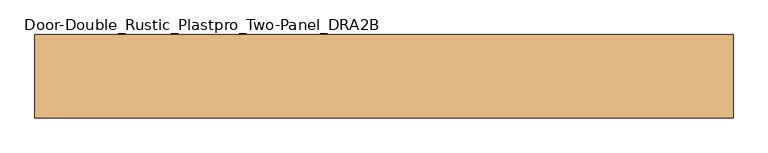
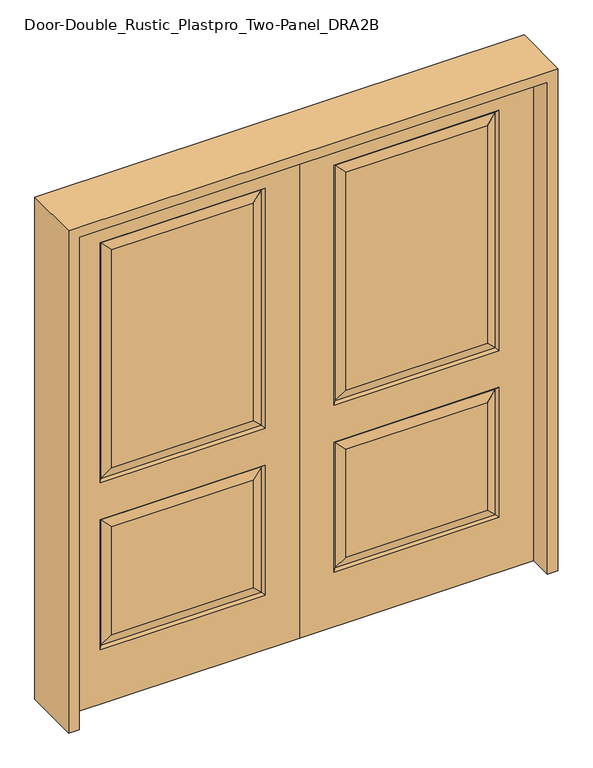
"""IFC4 building model written with IfcOpenShell, lengths in millimetres: door geometry, Door-Double_Rustic_Plastpro_Two-Panel_DRA2B."""

from ifc_helpers import new_model, si_unit, frame, origin, place, context, project, spatial, polyline, outline, extrude, faceted_brep, source, transform, mapped, element, save


def door_double_rustic_plastpro_two_panel_dra2b_38a03fc7(model_context):
    return source(origin(), model_context, "Body", "SolidModel", [
        faceted_brep([(-914.4, 20.6375, 0.0), (0.0, 20.6375, 0.0), (0.0, -20.6375, 0.0), (-914.4, -20.6375, 0.0), (-914.4, 20.6375, 2032.0), (-914.4, -20.6375, 2032.0), (0.0, -20.6375, 2032.0), (-779.4625, -20.6375, 914.4), (-779.4625, -20.6375, 1905.0), (-134.9375, -20.6375, 1905.0), (-134.9375, -20.6375, 914.4), (-779.4625, -20.6375, 225.425), (-779.4625, -20.6375, 762.0), (-134.9375, -20.6375, 762.0), (-134.9375, -20.6375, 225.425), (-180.975, -20.6375, 960.4375), (-180.975, -20.6375, 1858.9625), (-733.425, -20.6375, 1858.9625), (-733.425, -20.6375, 960.4375), (-180.975, -20.6375, 271.4625), (-180.975, -20.6375, 715.9625), (-733.425, -20.6375, 715.9625), (-733.425, -20.6375, 271.4625), (0.0, 20.6375, 2032.0), (-779.4625, 20.6375, 762.0), (-779.4625, 20.6375, 225.425), (-134.9375, 20.6375, 225.425), (-134.9375, 20.6375, 762.0), (-779.4625, 20.6375, 1905.0), (-779.4625, 20.6375, 914.4), (-134.9375, 20.6375, 914.4), (-134.9375, 20.6375, 1905.0), (-180.975, 20.6375, 715.9625), (-180.975, 20.6375, 271.4625), (-733.425, 20.6375, 271.4625), (-733.425, 20.6375, 715.9625), (-180.975, 20.6375, 1858.9625), (-180.975, 20.6375, 960.4375), (-733.425, 20.6375, 960.4375), (-733.425, 20.6375, 1858.9625), (-143.9177561, 11.6572439, 923.3802561), (-143.9177561, 11.6572439, 1896.0197439), (-770.4822439, 11.6572439, 923.3802561), (-770.4822439, 11.6572439, 1896.0197439), (-770.4822439, 11.6572439, 753.0197439), (-143.9177561, 11.6572439, 753.0197439), (-143.9177561, 11.6572439, 234.4052561), (-770.4822439, 11.6572439, 234.4052561), (-770.4822439, -11.6572439, 923.3802561), (-143.9177561, -11.6572439, 923.3802561), (-143.9177561, -11.6572439, 1896.0197439), (-770.4822439, -11.6572439, 1896.0197439), (-770.4822439, -11.6572439, 234.4052561), (-143.9177561, -11.6572439, 234.4052561), (-143.9177561, -11.6572439, 753.0197439), (-770.4822439, -11.6572439, 753.0197439)], [[[0, 1, 2, 3]], [[4, 0, 3, 5]], [[5, 3, 2, 6], [7, 8, 9, 10], [11, 12, 13, 14]], [[15, 16, 17, 18]], [[19, 20, 21, 22]], [[6, 2, 1, 23]], [[23, 1, 0, 4], [24, 25, 26, 27], [28, 29, 30, 31]], [[32, 33, 34, 35]], [[36, 37, 38, 39]], [[31, 30, 40, 41]], [[30, 29, 42, 40]], [[43, 42, 29, 28]], [[39, 38, 42, 43]], [[40, 42, 38, 37]], [[41, 40, 37, 36]], [[44, 24, 27, 45]], [[27, 26, 46, 45]], [[26, 25, 47, 46]], [[44, 47, 25, 24]], [[45, 32, 35, 44]], [[35, 34, 47, 44]], [[46, 47, 34, 33]], [[45, 46, 33, 32]], [[48, 7, 10, 49]], [[10, 9, 50, 49]], [[48, 51, 8, 7]], [[49, 15, 18, 48]], [[18, 17, 51, 48]], [[49, 50, 16, 15]], [[52, 11, 14, 53]], [[14, 13, 54, 53]], [[13, 12, 55, 54]], [[52, 55, 12, 11]], [[53, 19, 22, 52]], [[22, 21, 55, 52]], [[54, 55, 21, 20]], [[53, 54, 20, 19]], [[4, 5, 6, 23]], [[9, 8, 51, 50]], [[50, 51, 17, 16]], [[43, 28, 31, 41]], [[41, 36, 39, 43]]]),
        faceted_brep([(914.4, 20.6375, 0.0), (914.4, -20.6375, 0.0), (0.0, -20.6375, 0.0), (0.0, 20.6375, 0.0), (914.4, 20.6375, 2032.0), (914.4, -20.6375, 2032.0), (180.975, -20.6375, 960.4375), (733.425, -20.6375, 960.4375), (733.425, -20.6375, 1858.9625), (180.975, -20.6375, 1858.9625), (180.975, -20.6375, 271.4625), (733.425, -20.6375, 271.4625), (733.425, -20.6375, 715.9625), (180.975, -20.6375, 715.9625), (0.0, -20.6375, 2032.0), (779.4625, -20.6375, 914.4), (134.9375, -20.6375, 914.4), (134.9375, -20.6375, 1905.0), (779.4625, -20.6375, 1905.0), (779.4625, -20.6375, 225.425), (134.9375, -20.6375, 225.425), (134.9375, -20.6375, 762.0), (779.4625, -20.6375, 762.0), (0.0, 20.6375, 2032.0), (180.975, 20.6375, 715.9625), (733.425, 20.6375, 715.9625), (733.425, 20.6375, 271.4625), (180.975, 20.6375, 271.4625), (180.975, 20.6375, 1858.9625), (733.425, 20.6375, 1858.9625), (733.425, 20.6375, 960.4375), (180.975, 20.6375, 960.4375), (779.4625, 20.6375, 762.0), (134.9375, 20.6375, 762.0), (134.9375, 20.6375, 225.425), (779.4625, 20.6375, 225.425), (779.4625, 20.6375, 1905.0), (134.9375, 20.6375, 1905.0), (134.9375, 20.6375, 914.4), (779.4625, 20.6375, 914.4), (143.9177561, 11.6572439, 1896.0197439), (143.9177561, 11.6572439, 923.3802561), (770.4822439, 11.6572439, 923.3802561), (770.4822439, 11.6572439, 1896.0197439), (770.4822439, 11.6572439, 753.0197439), (143.9177561, 11.6572439, 753.0197439), (143.9177561, 11.6572439, 234.4052561), (770.4822439, 11.6572439, 234.4052561), (770.4822439, -11.6572439, 923.3802561), (143.9177561, -11.6572439, 923.3802561), (143.9177561, -11.6572439, 1896.0197439), (770.4822439, -11.6572439, 1896.0197439), (770.4822439, -11.6572439, 234.4052561), (143.9177561, -11.6572439, 234.4052561), (143.9177561, -11.6572439, 753.0197439), (770.4822439, -11.6572439, 753.0197439)], [[[0, 1, 2, 3]], [[4, 5, 1, 0]], [[6, 7, 8, 9]], [[10, 11, 12, 13]], [[5, 14, 2, 1], [15, 16, 17, 18], [19, 20, 21, 22]], [[14, 23, 3, 2]], [[24, 25, 26, 27]], [[28, 29, 30, 31]], [[23, 4, 0, 3], [32, 33, 34, 35], [36, 37, 38, 39]], [[37, 40, 41, 38]], [[38, 41, 42, 39]], [[43, 36, 39, 42]], [[29, 43, 42, 30]], [[41, 31, 30, 42]], [[40, 28, 31, 41]], [[44, 45, 33, 32]], [[33, 45, 46, 34]], [[34, 46, 47, 35]], [[44, 32, 35, 47]], [[45, 44, 25, 24]], [[25, 44, 47, 26]], [[46, 27, 26, 47]], [[45, 24, 27, 46]], [[48, 49, 16, 15]], [[16, 49, 50, 17]], [[48, 15, 18, 51]], [[49, 48, 7, 6]], [[7, 48, 51, 8]], [[49, 6, 9, 50]], [[52, 53, 20, 19]], [[20, 53, 54, 21]], [[21, 54, 55, 22]], [[52, 19, 22, 55]], [[53, 52, 11, 10]], [[11, 52, 55, 12]], [[54, 13, 12, 55]], [[53, 10, 13, 54]], [[4, 23, 14, 5]], [[17, 50, 51, 18]], [[50, 9, 8, 51]], [[43, 40, 37, 36]], [[40, 43, 29, 28]]]),
        extrude(outline(polyline([(2073.275, -955.675), (0.0, -955.675), (0.0, -914.4), (2032.0, -914.4), (2032.0, 914.4), (0.0, 914.4), (0.0, 955.675), (2073.275, 955.675), (2073.275, -955.675)])), frame((0.0, -114.3, 0.0), z_axis=(0.0, 1.0, 0.0), x_axis=(0.0, 0.0, 1.0)), (0.0, 0.0, 1.0), 228.6),
    ])


if __name__ == "__main__":
    model = new_model("IFC4")
    model_context = context("Model", 3, world=origin())
    ifc_project = project(units=[si_unit("LENGTHUNIT", "METRE", prefix="MILLI")], contexts=[model_context])
    site = spatial("IfcSite", under=ifc_project)
    building = spatial("IfcBuilding", under=site)
    placement = place(None, origin())
    door_double_rustic_plastpro_two_panel_dra2b_shape = door_double_rustic_plastpro_two_panel_dra2b_38a03fc7(model_context)
    element("IfcDoor", 1, ObjectType="Door-Double_Rustic_Plastpro_Two-Panel_DRA2B", at=placement, inside=building, context=model_context, shape_type="MappedRepresentation", body=[
        mapped(door_double_rustic_plastpro_two_panel_dra2b_shape, transform((0.0, 0.0, 0.0), x_axis=(1.0, 0.0, 0.0), y_axis=(0.0, 1.0, 0.0), z_axis=(0.0, 0.0, 1.0))),
    ])
    save(model, "model.ifc")
